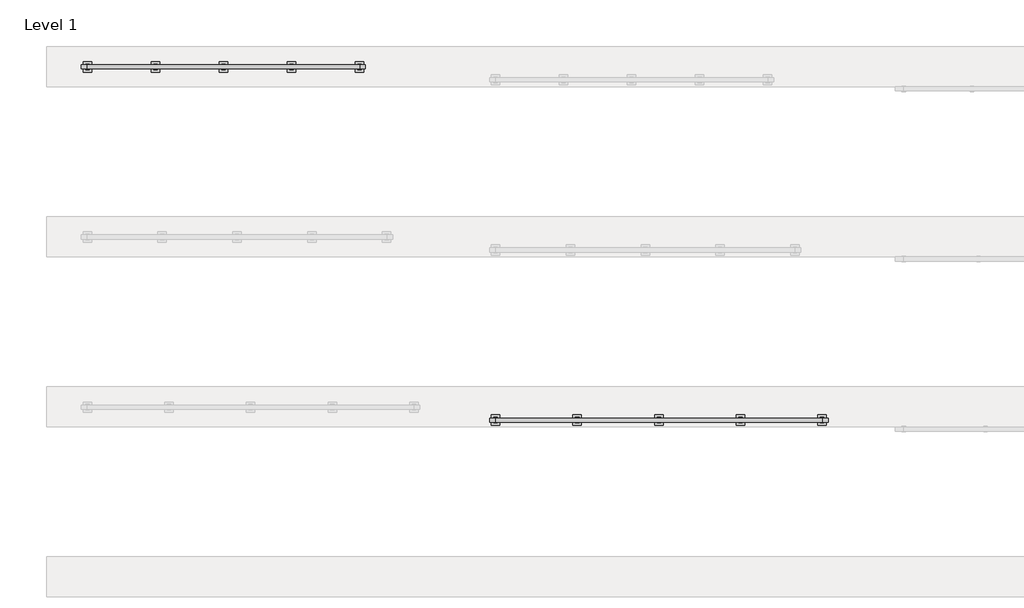
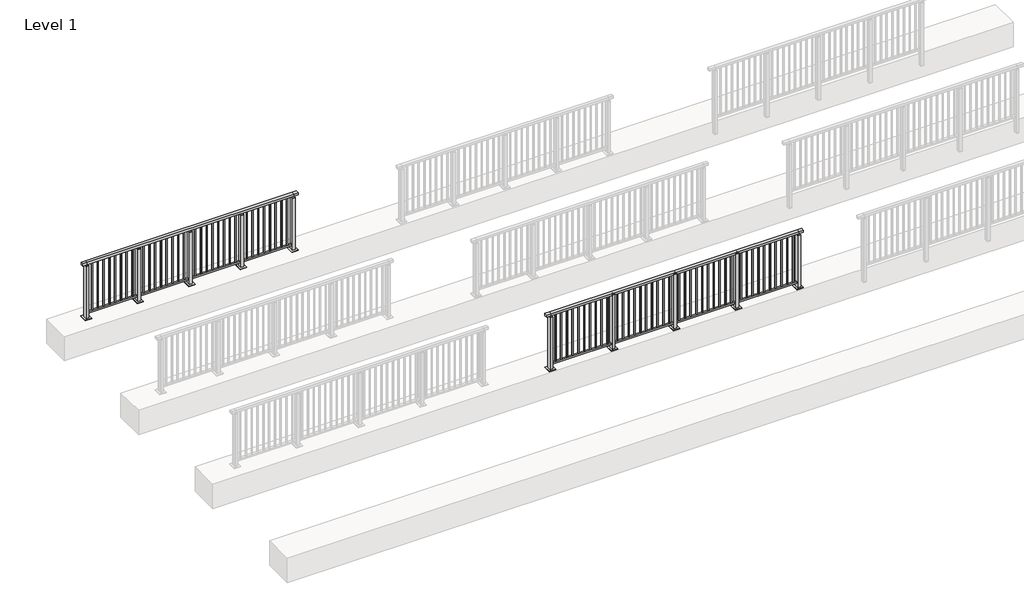
# One storey, part 12 of 38: 2 railings.
"""IFC4 building model written with IfcOpenShell, lengths in millimetres."""

import ifcopenshell
import ifcopenshell.guid

model = None  # the IFC model being written
_history = None  # IfcOwnerHistory: only IFC2X3 demands one
_inside = {}  # id of a spatial element -> (the spatial element, [elements in it])
_under = {}  # id of a project, library or spatial element -> (it, [spatial elements below it])
_declared = {}  # id of a project -> (the project, [libraries it declares])
_typed = {}  # id of a type object -> (the type object, [elements of that type])
_made_of = {}  # id of a material, layer set ... -> (it, [elements and type objects made of it])


def new_model(schema):
    """Start an empty IFC model of exactly this schema.

    Asked for "IFC4X3", IfcOpenShell would pick the latest addendum, in which some entities
    have other attributes; the version numbers below select the first issue.
    IFC2X3 requires an IfcOwnerHistory on every rooted entity: one is made here for all.
    """
    global model, _history
    if schema == "IFC4X3":
        model = ifcopenshell.file(schema_version=(4, 3, 0, 0))
    else:
        model = ifcopenshell.file(schema=schema)
    _inside.clear()
    _under.clear()
    _declared.clear()
    _typed.clear()
    _made_of.clear()
    _history = None
    if model.schema == "IFC2X3":
        org = make("IfcOrganization", Name="unknown")
        user = make(
            "IfcPersonAndOrganization",
            ThePerson=make("IfcPerson", FamilyName="unknown"),
            TheOrganization=org,
        )
        app = make(
            "IfcApplication",
            ApplicationDeveloper=org,
            Version="unknown",
            ApplicationFullName="unknown",
            ApplicationIdentifier="unknown",
        )
        _history = make(
            "IfcOwnerHistory",
            OwningUser=user,
            OwningApplication=app,
            ChangeAction="ADDED",
            CreationDate=0,
        )
    return model


def make(cls, **values):
    """One entity of the class cls with the attributes given. An attribute that is None is left unset."""
    return model.create_entity(
        cls, **{name: value for name, value in values.items() if value is not None}
    )


def rooted(cls, **values):
    """An entity with a GlobalId (a new one), such as an element, a storey or a relation."""
    return make(cls, GlobalId=ifcopenshell.guid.new(), OwnerHistory=_history, **values)


def si_unit(unit_type, name, prefix=None):
    """IfcSIUnit, for example si_unit("LENGTHUNIT", "METRE", prefix="MILLI")."""
    return make("IfcSIUnit", UnitType=unit_type, Prefix=prefix, Name=name)


def assignment(units):
    """IfcUnitAssignment: the units of a project."""
    return None if units is None else make("IfcUnitAssignment", Units=units)


def point(xyz):
    """IfcCartesianPoint."""
    return None if xyz is None else make("IfcCartesianPoint", Coordinates=xyz)


def direction(xyz):
    """IfcDirection."""
    return None if xyz is None else make("IfcDirection", DirectionRatios=xyz)


def frame(location, z_axis=None, x_axis=None):
    """IfcAxis2Placement3D, a coordinate frame: its origin and axes. An axis left out is left unset."""
    return make(
        "IfcAxis2Placement3D",
        Location=point(location),
        Axis=direction(z_axis),
        RefDirection=direction(x_axis),
    )


def origin():
    """The frame at (0, 0, 0) with its axes left unset."""
    return frame((0.0, 0.0, 0.0))


def origin_with_axes():
    """The frame at (0, 0, 0) with the z axis (0, 0, 1) and the x axis (1, 0, 0) written out."""
    return frame((0.0, 0.0, 0.0), z_axis=(0.0, 0.0, 1.0), x_axis=(1.0, 0.0, 0.0))


def place(relative_to, where):
    """IfcLocalPlacement: puts the frame where relative to a parent placement (None: the world)."""
    return make(
        "IfcLocalPlacement", PlacementRelTo=relative_to, RelativePlacement=where
    )


def context(
    kind, dimensions, precision=None, world=None, true_north=None, identifier=None
):
    """IfcGeometricRepresentationContext, for example the 3D "Model" context."""
    return make(
        "IfcGeometricRepresentationContext",
        ContextIdentifier=identifier,
        ContextType=kind,
        CoordinateSpaceDimension=dimensions,
        Precision=precision,
        WorldCoordinateSystem=world,
        TrueNorth=true_north,
    )


def project(units=None, contexts=None):
    """IfcProject with its units and contexts."""
    return rooted(
        "IfcProject",
        Name="project",
        RepresentationContexts=contexts,
        UnitsInContext=assignment(units),
    )


def spatial(cls, under=None, at=None, **own):
    """A site, building, storey or space (cls), placed at a placement, below another one or the project."""
    s = rooted(cls, ObjectPlacement=at, **own)
    if under is not None:
        _under.setdefault(under.id(), (under, []))[1].append(s)
    return s


def polyline(points):
    """IfcPolyline through the points."""
    return make("IfcPolyline", Points=[point(p) for p in points])


def outline(outer, holes=None, kind="AREA"):
    """IfcArbitraryClosedProfileDef: a profile drawn as a closed curve; with holes, ...WithVoids."""
    if holes is None:
        return make("IfcArbitraryClosedProfileDef", ProfileType=kind, OuterCurve=outer)
    return make(
        "IfcArbitraryProfileDefWithVoids",
        ProfileType=kind,
        OuterCurve=outer,
        InnerCurves=holes,
    )


def extrude(swept, where, along, depth):
    """IfcExtrudedAreaSolid: the profile swept, set in the frame where, extruded along a direction by depth."""
    return make(
        "IfcExtrudedAreaSolid",
        SweptArea=swept,
        Position=where,
        ExtrudedDirection=direction(along),
        Depth=depth,
    )


def faces_of(points, faces, orient=None, outer=None):
    """IfcFace entities. A face is a list of loops; a loop is a list of indices into points, from 0.

    orient and outer hold one flag for each loop. By default every Orientation is true, the
    first loop of a face is its IfcFaceOuterBound and the others are IfcFaceBound.
    """
    made = []
    for i, loops in enumerate(faces):
        bounds = []
        for j, loop in enumerate(loops):
            is_outer = j == 0 if outer is None else outer[i][j]
            bounds.append(
                make(
                    "IfcFaceOuterBound" if is_outer else "IfcFaceBound",
                    Bound=make("IfcPolyLoop", Polygon=[points[k] for k in loop]),
                    Orientation=True if orient is None else orient[i][j],
                )
            )
        made.append(make("IfcFace", Bounds=bounds))
    return made


def faceted_brep(points, faces, orient=None, outer=None, voids=None):
    """IfcFacetedBrep: a solid bounded by flat faces; with voids (closed shells), ...WithVoids."""
    shared = [point(p) for p in points]
    hull = make("IfcClosedShell", CfsFaces=faces_of(shared, faces, orient, outer))
    if voids is None:
        return make("IfcFacetedBrep", Outer=hull)
    return make(
        "IfcFacetedBrepWithVoids",
        Outer=hull,
        Voids=[
            make(cls, CfsFaces=faces_of(shared, fs, o, b)) for cls, fs, o, b in voids
        ],
    )


def shape(context_of_items, identifier, shape_type, items):
    """IfcShapeRepresentation: the items that make up one representation, for example the "Body"."""
    return make(
        "IfcShapeRepresentation",
        ContextOfItems=context_of_items,
        RepresentationIdentifier=identifier,
        RepresentationType=shape_type,
        Items=items,
    )


def made_of(thing, what):
    """Note that an element or type object is made of a material, layer set ...; save() writes the relation."""
    if what is not None:
        _made_of.setdefault(what.id(), (what, []))[1].append(thing)
    return thing


def element(
    cls,
    number,
    at=None,
    inside=None,
    cuts=None,
    type_object=None,
    material=None,
    context=None,
    identifier="Body",
    shape_type=None,
    held_by="IfcProductDefinitionShape",
    body=None,
    shapes=None,
    **own,
):
    """One element of the class cls, such as IfcWall. Its Tag is "e" and its number.

    at: its placement. inside: the storey or other place that contains it. cuts: it is an
    opening in that element (IfcRelVoidsElement). A single representation is given by context,
    identifier, shape_type and body (its items); several are given by shapes. held_by: the class
    of the entity that holds the representations. save() writes the other relations.
    """
    e = rooted(cls, Tag="e%d" % number, ObjectPlacement=at, **own)
    if body is not None:
        shapes = [shape(context, identifier, shape_type, body)]
    if shapes is not None:
        e.Representation = make(held_by, Representations=shapes)
    if inside is not None:
        _inside.setdefault(inside.id(), (inside, []))[1].append(e)
    if cuts is not None:
        rooted(
            "IfcRelVoidsElement", RelatingBuildingElement=cuts, RelatedOpeningElement=e
        )
    if type_object is not None:
        _typed.setdefault(type_object.id(), (type_object, []))[1].append(e)
    return made_of(e, material)


def aggregate(whole, parts):
    """IfcRelAggregates: a whole, such as a stair, and the parts it consists of."""
    return rooted("IfcRelAggregates", RelatingObject=whole, RelatedObjects=parts)


def save(model, path):
    """Write the relations noted so far, then the file.

    IfcRelAggregates (storeys below a building ...), IfcRelContainedInSpatialStructure (elements
    in a storey), IfcRelDefinesByType, IfcRelAssociatesMaterial and IfcRelDeclares: one each for
    every whole, place, type object, material and project.
    """
    for whole, parts in _under.values():
        aggregate(whole, parts)
    for where, things in _inside.values():
        rooted(
            "IfcRelContainedInSpatialStructure",
            RelatedElements=things,
            RelatingStructure=where,
        )
    for kind, things in _typed.values():
        rooted("IfcRelDefinesByType", RelatedObjects=things, RelatingType=kind)
    for what, things in _made_of.values():
        rooted("IfcRelAssociatesMaterial", RelatedObjects=things, RelatingMaterial=what)
    for by, libraries in _declared.values():
        rooted("IfcRelDeclares", RelatingContext=by, RelatedDefinitions=libraries)
    model.write(path)


model = new_model("IFC4")

# Units and contexts
model_context = context("Model", 3, world=origin())
ifc_project = project(units=[si_unit("LENGTHUNIT", "METRE", prefix="MILLI")], contexts=[model_context])

# Site, building, storey
site = spatial("IfcSite", under=ifc_project)
building = spatial("IfcBuilding", under=site)
storey = spatial("IfcBuildingStorey", under=building, Name="Level 1", Elevation=0.0)

# Railings
placement = place(None, origin())
element("IfcRailing", 1, at=placement, inside=storey, context=model_context, shape_type="SolidModel", body=[
    faceted_brep([(0.0, 22720.1846828, 1102.5), (0.0, 22720.1846828, 1150.0), (4000.0, 22720.1846828, 1150.0), (4000.0, 22720.1846828, 1102.5), (0.0, 22660.1846828, 1102.5), (4000.0, 22660.1846828, 1102.5), (0.0, 22660.1846828, 1150.0), (4000.0, 22660.1846828, 1150.0), (-87.5, 22720.1846828, 1150.0), (-87.5, 22720.1846828, 1102.5), (-87.5, 22660.1846828, 1102.5), (-87.5, 22660.1846828, 1150.0), (4087.5, 22720.1846828, 1150.0), (4087.5, 22660.1846828, 1150.0), (4087.5, 22660.1846828, 1102.5), (4087.5, 22720.1846828, 1102.5)], [[[0, 1, 2, 3]], [[4, 0, 3, 5]], [[6, 4, 5, 7]], [[1, 6, 7, 2]], [[8, 9, 10, 11]], [[9, 8, 1, 0]], [[10, 9, 0, 4]], [[11, 10, 4, 6]], [[8, 11, 6, 1]], [[12, 13, 14, 15]], [[3, 2, 12, 15]], [[5, 3, 15, 14]], [[7, 5, 14, 13]], [[2, 7, 13, 12]]]),
    extrude(outline(polyline([(0.0, 22672.1846828), (0.0, 22708.1846828), (4000.0, 22708.1846828), (4000.0, 22672.1846828), (0.0, 22672.1846828)])), frame((0.0, 0.0, 93.0), z_axis=(0.0, 0.0, 1.0), x_axis=(1.0, 0.0, 0.0)), (0.0, 0.0, 1.0), 32.0),
    extrude(outline(polyline([(3900.5, 22698.6846828), (3900.5, 22681.6846828), (3883.5, 22681.6846828), (3883.5, 22698.6846828), (3900.5, 22698.6846828)])), frame((0.0, 0.0, 125.0), z_axis=(0.0, 0.0, 1.0), x_axis=(1.0, 0.0, 0.0)), (0.0, 0.0, 1.0), 980.0),
    extrude(outline(polyline([(3788.5, 22698.6846828), (3788.5, 22681.6846828), (3771.5, 22681.6846828), (3771.5, 22698.6846828), (3788.5, 22698.6846828)])), frame((0.0, 0.0, 125.0), z_axis=(0.0, 0.0, 1.0), x_axis=(1.0, 0.0, 0.0)), (0.0, 0.0, 1.0), 980.0),
    extrude(outline(polyline([(3676.5, 22698.6846828), (3676.5, 22681.6846828), (3659.5, 22681.6846828), (3659.5, 22698.6846828), (3676.5, 22698.6846828)])), frame((0.0, 0.0, 125.0), z_axis=(0.0, 0.0, 1.0), x_axis=(1.0, 0.0, 0.0)), (0.0, 0.0, 1.0), 980.0),
    extrude(outline(polyline([(3564.5, 22698.6846828), (3564.5, 22681.6846828), (3547.5, 22681.6846828), (3547.5, 22698.6846828), (3564.5, 22698.6846828)])), frame((0.0, 0.0, 125.0), z_axis=(0.0, 0.0, 1.0), x_axis=(1.0, 0.0, 0.0)), (0.0, 0.0, 1.0), 980.0),
    extrude(outline(polyline([(3452.5, 22698.6846828), (3452.5, 22681.6846828), (3435.5, 22681.6846828), (3435.5, 22698.6846828), (3452.5, 22698.6846828)])), frame((0.0, 0.0, 125.0), z_axis=(0.0, 0.0, 1.0), x_axis=(1.0, 0.0, 0.0)), (0.0, 0.0, 1.0), 980.0),
    extrude(outline(polyline([(3340.5, 22698.6846828), (3340.5, 22681.6846828), (3323.5, 22681.6846828), (3323.5, 22698.6846828), (3340.5, 22698.6846828)])), frame((0.0, 0.0, 125.0), z_axis=(0.0, 0.0, 1.0), x_axis=(1.0, 0.0, 0.0)), (0.0, 0.0, 1.0), 980.0),
    extrude(outline(polyline([(3228.5, 22698.6846828), (3228.5, 22681.6846828), (3211.5, 22681.6846828), (3211.5, 22698.6846828), (3228.5, 22698.6846828)])), frame((0.0, 0.0, 125.0), z_axis=(0.0, 0.0, 1.0), x_axis=(1.0, 0.0, 0.0)), (0.0, 0.0, 1.0), 980.0),
    extrude(outline(polyline([(3116.5, 22698.6846828), (3116.5, 22681.6846828), (3099.5, 22681.6846828), (3099.5, 22698.6846828), (3116.5, 22698.6846828)])), frame((0.0, 0.0, 125.0), z_axis=(0.0, 0.0, 1.0), x_axis=(1.0, 0.0, 0.0)), (0.0, 0.0, 1.0), 980.0),
    extrude(outline(polyline([(3010.0, 22680.1846828), (2990.0, 22680.1846828), (2990.0, 22700.1846828), (3010.0, 22700.1846828), (3010.0, 22680.1846828)])), frame((0.0, 0.0, 1085.0), z_axis=(0.0, 0.0, 1.0), x_axis=(1.0, 0.0, 0.0)), (0.0, 0.0, 1.0), 20.0),
    extrude(outline(polyline([(3027.0, 22651.1846828), (2973.0, 22651.1846828), (2973.0, 22729.1846828), (3027.0, 22729.1846828), (3027.0, 22651.1846828)])), frame((0.0, 0.0, 1077.0), z_axis=(0.0, 0.0, 1.0), x_axis=(1.0, 0.0, 0.0)), (0.0, 0.0, 1.0), 8.0),
    extrude(outline(polyline([(3062.5, 22615.1846828), (2937.5, 22615.1846828), (2937.5, 22765.1846828), (3062.5, 22765.1846828), (3062.5, 22615.1846828)])), origin_with_axes(), (0.0, 0.0, 1.0), 12.0),
    extrude(outline(polyline([(3027.0, 22651.1846828), (2973.0, 22651.1846828), (2973.0, 22729.1846828), (3027.0, 22729.1846828), (3027.0, 22651.1846828)])), frame((0.0, 0.0, 12.0), z_axis=(0.0, 0.0, 1.0), x_axis=(1.0, 0.0, 0.0)), (0.0, 0.0, 1.0), 1065.0),
    extrude(outline(polyline([(2900.5, 22698.6846828), (2900.5, 22681.6846828), (2883.5, 22681.6846828), (2883.5, 22698.6846828), (2900.5, 22698.6846828)])), frame((0.0, 0.0, 125.0), z_axis=(0.0, 0.0, 1.0), x_axis=(1.0, 0.0, 0.0)), (0.0, 0.0, 1.0), 980.0),
    extrude(outline(polyline([(2788.5, 22698.6846828), (2788.5, 22681.6846828), (2771.5, 22681.6846828), (2771.5, 22698.6846828), (2788.5, 22698.6846828)])), frame((0.0, 0.0, 125.0), z_axis=(0.0, 0.0, 1.0), x_axis=(1.0, 0.0, 0.0)), (0.0, 0.0, 1.0), 980.0),
    extrude(outline(polyline([(2676.5, 22698.6846828), (2676.5, 22681.6846828), (2659.5, 22681.6846828), (2659.5, 22698.6846828), (2676.5, 22698.6846828)])), frame((0.0, 0.0, 125.0), z_axis=(0.0, 0.0, 1.0), x_axis=(1.0, 0.0, 0.0)), (0.0, 0.0, 1.0), 980.0),
    extrude(outline(polyline([(2564.5, 22698.6846828), (2564.5, 22681.6846828), (2547.5, 22681.6846828), (2547.5, 22698.6846828), (2564.5, 22698.6846828)])), frame((0.0, 0.0, 125.0), z_axis=(0.0, 0.0, 1.0), x_axis=(1.0, 0.0, 0.0)), (0.0, 0.0, 1.0), 980.0),
    extrude(outline(polyline([(2452.5, 22698.6846828), (2452.5, 22681.6846828), (2435.5, 22681.6846828), (2435.5, 22698.6846828), (2452.5, 22698.6846828)])), frame((0.0, 0.0, 125.0), z_axis=(0.0, 0.0, 1.0), x_axis=(1.0, 0.0, 0.0)), (0.0, 0.0, 1.0), 980.0),
    extrude(outline(polyline([(2340.5, 22698.6846828), (2340.5, 22681.6846828), (2323.5, 22681.6846828), (2323.5, 22698.6846828), (2340.5, 22698.6846828)])), frame((0.0, 0.0, 125.0), z_axis=(0.0, 0.0, 1.0), x_axis=(1.0, 0.0, 0.0)), (0.0, 0.0, 1.0), 980.0),
    extrude(outline(polyline([(2228.5, 22698.6846828), (2228.5, 22681.6846828), (2211.5, 22681.6846828), (2211.5, 22698.6846828), (2228.5, 22698.6846828)])), frame((0.0, 0.0, 125.0), z_axis=(0.0, 0.0, 1.0), x_axis=(1.0, 0.0, 0.0)), (0.0, 0.0, 1.0), 980.0),
    extrude(outline(polyline([(2116.5, 22698.6846828), (2116.5, 22681.6846828), (2099.5, 22681.6846828), (2099.5, 22698.6846828), (2116.5, 22698.6846828)])), frame((0.0, 0.0, 125.0), z_axis=(0.0, 0.0, 1.0), x_axis=(1.0, 0.0, 0.0)), (0.0, 0.0, 1.0), 980.0),
    extrude(outline(polyline([(2010.0, 22680.1846828), (1990.0, 22680.1846828), (1990.0, 22700.1846828), (2010.0, 22700.1846828), (2010.0, 22680.1846828)])), frame((0.0, 0.0, 1085.0), z_axis=(0.0, 0.0, 1.0), x_axis=(1.0, 0.0, 0.0)), (0.0, 0.0, 1.0), 20.0),
    extrude(outline(polyline([(2027.0, 22651.1846828), (1973.0, 22651.1846828), (1973.0, 22729.1846828), (2027.0, 22729.1846828), (2027.0, 22651.1846828)])), frame((0.0, 0.0, 1077.0), z_axis=(0.0, 0.0, 1.0), x_axis=(1.0, 0.0, 0.0)), (0.0, 0.0, 1.0), 8.0),
    extrude(outline(polyline([(2062.5, 22615.1846828), (1937.5, 22615.1846828), (1937.5, 22765.1846828), (2062.5, 22765.1846828), (2062.5, 22615.1846828)])), origin_with_axes(), (0.0, 0.0, 1.0), 12.0),
    extrude(outline(polyline([(2027.0, 22651.1846828), (1973.0, 22651.1846828), (1973.0, 22729.1846828), (2027.0, 22729.1846828), (2027.0, 22651.1846828)])), frame((0.0, 0.0, 12.0), z_axis=(0.0, 0.0, 1.0), x_axis=(1.0, 0.0, 0.0)), (0.0, 0.0, 1.0), 1065.0),
    extrude(outline(polyline([(1900.5, 22698.6846828), (1900.5, 22681.6846828), (1883.5, 22681.6846828), (1883.5, 22698.6846828), (1900.5, 22698.6846828)])), frame((0.0, 0.0, 125.0), z_axis=(0.0, 0.0, 1.0), x_axis=(1.0, 0.0, 0.0)), (0.0, 0.0, 1.0), 980.0),
    extrude(outline(polyline([(1788.5, 22698.6846828), (1788.5, 22681.6846828), (1771.5, 22681.6846828), (1771.5, 22698.6846828), (1788.5, 22698.6846828)])), frame((0.0, 0.0, 125.0), z_axis=(0.0, 0.0, 1.0), x_axis=(1.0, 0.0, 0.0)), (0.0, 0.0, 1.0), 980.0),
    extrude(outline(polyline([(1676.5, 22698.6846828), (1676.5, 22681.6846828), (1659.5, 22681.6846828), (1659.5, 22698.6846828), (1676.5, 22698.6846828)])), frame((0.0, 0.0, 125.0), z_axis=(0.0, 0.0, 1.0), x_axis=(1.0, 0.0, 0.0)), (0.0, 0.0, 1.0), 980.0),
    extrude(outline(polyline([(1564.5, 22698.6846828), (1564.5, 22681.6846828), (1547.5, 22681.6846828), (1547.5, 22698.6846828), (1564.5, 22698.6846828)])), frame((0.0, 0.0, 125.0), z_axis=(0.0, 0.0, 1.0), x_axis=(1.0, 0.0, 0.0)), (0.0, 0.0, 1.0), 980.0),
    extrude(outline(polyline([(1452.5, 22698.6846828), (1452.5, 22681.6846828), (1435.5, 22681.6846828), (1435.5, 22698.6846828), (1452.5, 22698.6846828)])), frame((0.0, 0.0, 125.0), z_axis=(0.0, 0.0, 1.0), x_axis=(1.0, 0.0, 0.0)), (0.0, 0.0, 1.0), 980.0),
    extrude(outline(polyline([(1340.5, 22698.6846828), (1340.5, 22681.6846828), (1323.5, 22681.6846828), (1323.5, 22698.6846828), (1340.5, 22698.6846828)])), frame((0.0, 0.0, 125.0), z_axis=(0.0, 0.0, 1.0), x_axis=(1.0, 0.0, 0.0)), (0.0, 0.0, 1.0), 980.0),
    extrude(outline(polyline([(1228.5, 22698.6846828), (1228.5, 22681.6846828), (1211.5, 22681.6846828), (1211.5, 22698.6846828), (1228.5, 22698.6846828)])), frame((0.0, 0.0, 125.0), z_axis=(0.0, 0.0, 1.0), x_axis=(1.0, 0.0, 0.0)), (0.0, 0.0, 1.0), 980.0),
    extrude(outline(polyline([(1116.5, 22698.6846828), (1116.5, 22681.6846828), (1099.5, 22681.6846828), (1099.5, 22698.6846828), (1116.5, 22698.6846828)])), frame((0.0, 0.0, 125.0), z_axis=(0.0, 0.0, 1.0), x_axis=(1.0, 0.0, 0.0)), (0.0, 0.0, 1.0), 980.0),
    extrude(outline(polyline([(1010.0, 22680.1846828), (990.0, 22680.1846828), (990.0, 22700.1846828), (1010.0, 22700.1846828), (1010.0, 22680.1846828)])), frame((0.0, 0.0, 1085.0), z_axis=(0.0, 0.0, 1.0), x_axis=(1.0, 0.0, 0.0)), (0.0, 0.0, 1.0), 20.0),
    extrude(outline(polyline([(1027.0, 22651.1846828), (973.0, 22651.1846828), (973.0, 22729.1846828), (1027.0, 22729.1846828), (1027.0, 22651.1846828)])), frame((0.0, 0.0, 1077.0), z_axis=(0.0, 0.0, 1.0), x_axis=(1.0, 0.0, 0.0)), (0.0, 0.0, 1.0), 8.0),
    extrude(outline(polyline([(1062.5, 22615.1846828), (937.5, 22615.1846828), (937.5, 22765.1846828), (1062.5, 22765.1846828), (1062.5, 22615.1846828)])), origin_with_axes(), (0.0, 0.0, 1.0), 12.0),
    extrude(outline(polyline([(1027.0, 22651.1846828), (973.0, 22651.1846828), (973.0, 22729.1846828), (1027.0, 22729.1846828), (1027.0, 22651.1846828)])), frame((0.0, 0.0, 12.0), z_axis=(0.0, 0.0, 1.0), x_axis=(1.0, 0.0, 0.0)), (0.0, 0.0, 1.0), 1065.0),
    extrude(outline(polyline([(900.5, 22698.6846828), (900.5, 22681.6846828), (883.5, 22681.6846828), (883.5, 22698.6846828), (900.5, 22698.6846828)])), frame((0.0, 0.0, 125.0), z_axis=(0.0, 0.0, 1.0), x_axis=(1.0, 0.0, 0.0)), (0.0, 0.0, 1.0), 980.0),
    extrude(outline(polyline([(788.5, 22698.6846828), (788.5, 22681.6846828), (771.5, 22681.6846828), (771.5, 22698.6846828), (788.5, 22698.6846828)])), frame((0.0, 0.0, 125.0), z_axis=(0.0, 0.0, 1.0), x_axis=(1.0, 0.0, 0.0)), (0.0, 0.0, 1.0), 980.0),
    extrude(outline(polyline([(676.5, 22698.6846828), (676.5, 22681.6846828), (659.5, 22681.6846828), (659.5, 22698.6846828), (676.5, 22698.6846828)])), frame((0.0, 0.0, 125.0), z_axis=(0.0, 0.0, 1.0), x_axis=(1.0, 0.0, 0.0)), (0.0, 0.0, 1.0), 980.0),
    extrude(outline(polyline([(564.5, 22698.6846828), (564.5, 22681.6846828), (547.5, 22681.6846828), (547.5, 22698.6846828), (564.5, 22698.6846828)])), frame((0.0, 0.0, 125.0), z_axis=(0.0, 0.0, 1.0), x_axis=(1.0, 0.0, 0.0)), (0.0, 0.0, 1.0), 980.0),
    extrude(outline(polyline([(452.5, 22698.6846828), (452.5, 22681.6846828), (435.5, 22681.6846828), (435.5, 22698.6846828), (452.5, 22698.6846828)])), frame((0.0, 0.0, 125.0), z_axis=(0.0, 0.0, 1.0), x_axis=(1.0, 0.0, 0.0)), (0.0, 0.0, 1.0), 980.0),
    extrude(outline(polyline([(340.5, 22698.6846828), (340.5, 22681.6846828), (323.5, 22681.6846828), (323.5, 22698.6846828), (340.5, 22698.6846828)])), frame((0.0, 0.0, 125.0), z_axis=(0.0, 0.0, 1.0), x_axis=(1.0, 0.0, 0.0)), (0.0, 0.0, 1.0), 980.0),
    extrude(outline(polyline([(228.5, 22698.6846828), (228.5, 22681.6846828), (211.5, 22681.6846828), (211.5, 22698.6846828), (228.5, 22698.6846828)])), frame((0.0, 0.0, 125.0), z_axis=(0.0, 0.0, 1.0), x_axis=(1.0, 0.0, 0.0)), (0.0, 0.0, 1.0), 980.0),
    extrude(outline(polyline([(116.5, 22698.6846828), (116.5, 22681.6846828), (99.5, 22681.6846828), (99.5, 22698.6846828), (116.5, 22698.6846828)])), frame((0.0, 0.0, 125.0), z_axis=(0.0, 0.0, 1.0), x_axis=(1.0, 0.0, 0.0)), (0.0, 0.0, 1.0), 980.0),
    extrude(outline(polyline([(4010.0, 22680.1846828), (3990.0, 22680.1846828), (3990.0, 22700.1846828), (4010.0, 22700.1846828), (4010.0, 22680.1846828)])), frame((0.0, 0.0, 1085.0), z_axis=(0.0, 0.0, 1.0), x_axis=(1.0, 0.0, 0.0)), (0.0, 0.0, 1.0), 20.0),
    extrude(outline(polyline([(4027.0, 22651.1846828), (3973.0, 22651.1846828), (3973.0, 22729.1846828), (4027.0, 22729.1846828), (4027.0, 22651.1846828)])), frame((0.0, 0.0, 1077.0), z_axis=(0.0, 0.0, 1.0), x_axis=(1.0, 0.0, 0.0)), (0.0, 0.0, 1.0), 8.0),
    extrude(outline(polyline([(4062.5, 22615.1846828), (3937.5, 22615.1846828), (3937.5, 22765.1846828), (4062.5, 22765.1846828), (4062.5, 22615.1846828)])), origin_with_axes(), (0.0, 0.0, 1.0), 12.0),
    extrude(outline(polyline([(4027.0, 22651.1846828), (3973.0, 22651.1846828), (3973.0, 22729.1846828), (4027.0, 22729.1846828), (4027.0, 22651.1846828)])), frame((0.0, 0.0, 12.0), z_axis=(0.0, 0.0, 1.0), x_axis=(1.0, 0.0, 0.0)), (0.0, 0.0, 1.0), 1065.0),
    extrude(outline(polyline([(10.0, 22680.1846828), (-10.0, 22680.1846828), (-10.0, 22700.1846828), (10.0, 22700.1846828), (10.0, 22680.1846828)])), frame((0.0, 0.0, 1085.0), z_axis=(0.0, 0.0, 1.0), x_axis=(1.0, 0.0, 0.0)), (0.0, 0.0, 1.0), 20.0),
    extrude(outline(polyline([(27.0, 22651.1846828), (-27.0, 22651.1846828), (-27.0, 22729.1846828), (27.0, 22729.1846828), (27.0, 22651.1846828)])), frame((0.0, 0.0, 1077.0), z_axis=(0.0, 0.0, 1.0), x_axis=(1.0, 0.0, 0.0)), (0.0, 0.0, 1.0), 8.0),
    extrude(outline(polyline([(62.5, 22615.1846828), (-62.5, 22615.1846828), (-62.5, 22765.1846828), (62.5, 22765.1846828), (62.5, 22615.1846828)])), origin_with_axes(), (0.0, 0.0, 1.0), 12.0),
    extrude(outline(polyline([(27.0, 22651.1846828), (-27.0, 22651.1846828), (-27.0, 22729.1846828), (27.0, 22729.1846828), (27.0, 22651.1846828)])), frame((0.0, 0.0, 12.0), z_axis=(0.0, 0.0, 1.0), x_axis=(1.0, 0.0, 0.0)), (0.0, 0.0, 1.0), 1065.0),
])
element("IfcRailing", 2, at=placement, inside=storey, context=model_context, shape_type="SolidModel", body=[
    faceted_brep([(6000.0, 17530.1846828, 1102.5), (6000.0, 17530.1846828, 1150.0), (10800.0, 17530.1846828, 1150.0), (10800.0, 17530.1846828, 1102.5), (6000.0, 17470.1846828, 1102.5), (10800.0, 17470.1846828, 1102.5), (6000.0, 17470.1846828, 1150.0), (10800.0, 17470.1846828, 1150.0), (5912.5, 17530.1846828, 1150.0), (5912.5, 17530.1846828, 1102.5), (5912.5, 17470.1846828, 1102.5), (5912.5, 17470.1846828, 1150.0), (10887.5, 17530.1846828, 1150.0), (10887.5, 17470.1846828, 1150.0), (10887.5, 17470.1846828, 1102.5), (10887.5, 17530.1846828, 1102.5)], [[[0, 1, 2, 3]], [[4, 0, 3, 5]], [[6, 4, 5, 7]], [[1, 6, 7, 2]], [[8, 9, 10, 11]], [[9, 8, 1, 0]], [[10, 9, 0, 4]], [[11, 10, 4, 6]], [[8, 11, 6, 1]], [[12, 13, 14, 15]], [[3, 2, 12, 15]], [[5, 3, 15, 14]], [[7, 5, 14, 13]], [[2, 7, 13, 12]]]),
    extrude(outline(polyline([(6000.0, 17482.1846828), (6000.0, 17518.1846828), (10800.0, 17518.1846828), (10800.0, 17482.1846828), (6000.0, 17482.1846828)])), frame((0.0, 0.0, 93.0), z_axis=(0.0, 0.0, 1.0), x_axis=(1.0, 0.0, 0.0)), (0.0, 0.0, 1.0), 32.0),
    extrude(outline(polyline([(10712.5, 17508.6846828), (10712.5, 17491.6846828), (10695.5, 17491.6846828), (10695.5, 17508.6846828), (10712.5, 17508.6846828)])), frame((0.0, 0.0, 125.0), z_axis=(0.0, 0.0, 1.0), x_axis=(1.0, 0.0, 0.0)), (0.0, 0.0, 1.0), 980.0),
    extrude(outline(polyline([(10600.5, 17508.6846828), (10600.5, 17491.6846828), (10583.5, 17491.6846828), (10583.5, 17508.6846828), (10600.5, 17508.6846828)])), frame((0.0, 0.0, 125.0), z_axis=(0.0, 0.0, 1.0), x_axis=(1.0, 0.0, 0.0)), (0.0, 0.0, 1.0), 980.0),
    extrude(outline(polyline([(10488.5, 17508.6846828), (10488.5, 17491.6846828), (10471.5, 17491.6846828), (10471.5, 17508.6846828), (10488.5, 17508.6846828)])), frame((0.0, 0.0, 125.0), z_axis=(0.0, 0.0, 1.0), x_axis=(1.0, 0.0, 0.0)), (0.0, 0.0, 1.0), 980.0),
    extrude(outline(polyline([(10376.5, 17508.6846828), (10376.5, 17491.6846828), (10359.5, 17491.6846828), (10359.5, 17508.6846828), (10376.5, 17508.6846828)])), frame((0.0, 0.0, 125.0), z_axis=(0.0, 0.0, 1.0), x_axis=(1.0, 0.0, 0.0)), (0.0, 0.0, 1.0), 980.0),
    extrude(outline(polyline([(10264.5, 17508.6846828), (10264.5, 17491.6846828), (10247.5, 17491.6846828), (10247.5, 17508.6846828), (10264.5, 17508.6846828)])), frame((0.0, 0.0, 125.0), z_axis=(0.0, 0.0, 1.0), x_axis=(1.0, 0.0, 0.0)), (0.0, 0.0, 1.0), 980.0),
    extrude(outline(polyline([(10152.5, 17508.6846828), (10152.5, 17491.6846828), (10135.5, 17491.6846828), (10135.5, 17508.6846828), (10152.5, 17508.6846828)])), frame((0.0, 0.0, 125.0), z_axis=(0.0, 0.0, 1.0), x_axis=(1.0, 0.0, 0.0)), (0.0, 0.0, 1.0), 980.0),
    extrude(outline(polyline([(10040.5, 17508.6846828), (10040.5, 17491.6846828), (10023.5, 17491.6846828), (10023.5, 17508.6846828), (10040.5, 17508.6846828)])), frame((0.0, 0.0, 125.0), z_axis=(0.0, 0.0, 1.0), x_axis=(1.0, 0.0, 0.0)), (0.0, 0.0, 1.0), 980.0),
    extrude(outline(polyline([(9928.5, 17508.6846828), (9928.5, 17491.6846828), (9911.5, 17491.6846828), (9911.5, 17508.6846828), (9928.5, 17508.6846828)])), frame((0.0, 0.0, 125.0), z_axis=(0.0, 0.0, 1.0), x_axis=(1.0, 0.0, 0.0)), (0.0, 0.0, 1.0), 980.0),
    extrude(outline(polyline([(9816.5, 17508.6846828), (9816.5, 17491.6846828), (9799.5, 17491.6846828), (9799.5, 17508.6846828), (9816.5, 17508.6846828)])), frame((0.0, 0.0, 125.0), z_axis=(0.0, 0.0, 1.0), x_axis=(1.0, 0.0, 0.0)), (0.0, 0.0, 1.0), 980.0),
    extrude(outline(polyline([(9704.5, 17508.6846828), (9704.5, 17491.6846828), (9687.5, 17491.6846828), (9687.5, 17508.6846828), (9704.5, 17508.6846828)])), frame((0.0, 0.0, 125.0), z_axis=(0.0, 0.0, 1.0), x_axis=(1.0, 0.0, 0.0)), (0.0, 0.0, 1.0), 980.0),
    extrude(outline(polyline([(9610.0, 17490.1846828), (9590.0, 17490.1846828), (9590.0, 17510.1846828), (9610.0, 17510.1846828), (9610.0, 17490.1846828)])), frame((0.0, 0.0, 1130.0), z_axis=(0.0, 0.0, 1.0), x_axis=(1.0, 0.0, 0.0)), (0.0, 0.0, 1.0), 20.0),
    extrude(outline(polyline([(9627.0, 17461.1846828), (9573.0, 17461.1846828), (9573.0, 17539.1846828), (9627.0, 17539.1846828), (9627.0, 17461.1846828)])), frame((0.0, 0.0, 1122.0), z_axis=(0.0, 0.0, 1.0), x_axis=(1.0, 0.0, 0.0)), (0.0, 0.0, 1.0), 8.0),
    extrude(outline(polyline([(9662.5, 17425.1846828), (9537.5, 17425.1846828), (9537.5, 17575.1846828), (9662.5, 17575.1846828), (9662.5, 17425.1846828)])), origin_with_axes(), (0.0, 0.0, 1.0), 12.0),
    extrude(outline(polyline([(9627.0, 17461.1846828), (9573.0, 17461.1846828), (9573.0, 17539.1846828), (9627.0, 17539.1846828), (9627.0, 17461.1846828)])), frame((0.0, 0.0, 12.0), z_axis=(0.0, 0.0, 1.0), x_axis=(1.0, 0.0, 0.0)), (0.0, 0.0, 1.0), 1110.0),
    extrude(outline(polyline([(9512.5, 17508.6846828), (9512.5, 17491.6846828), (9495.5, 17491.6846828), (9495.5, 17508.6846828), (9512.5, 17508.6846828)])), frame((0.0, 0.0, 125.0), z_axis=(0.0, 0.0, 1.0), x_axis=(1.0, 0.0, 0.0)), (0.0, 0.0, 1.0), 980.0),
    extrude(outline(polyline([(9400.5, 17508.6846828), (9400.5, 17491.6846828), (9383.5, 17491.6846828), (9383.5, 17508.6846828), (9400.5, 17508.6846828)])), frame((0.0, 0.0, 125.0), z_axis=(0.0, 0.0, 1.0), x_axis=(1.0, 0.0, 0.0)), (0.0, 0.0, 1.0), 980.0),
    extrude(outline(polyline([(9288.5, 17508.6846828), (9288.5, 17491.6846828), (9271.5, 17491.6846828), (9271.5, 17508.6846828), (9288.5, 17508.6846828)])), frame((0.0, 0.0, 125.0), z_axis=(0.0, 0.0, 1.0), x_axis=(1.0, 0.0, 0.0)), (0.0, 0.0, 1.0), 980.0),
    extrude(outline(polyline([(9176.5, 17508.6846828), (9176.5, 17491.6846828), (9159.5, 17491.6846828), (9159.5, 17508.6846828), (9176.5, 17508.6846828)])), frame((0.0, 0.0, 125.0), z_axis=(0.0, 0.0, 1.0), x_axis=(1.0, 0.0, 0.0)), (0.0, 0.0, 1.0), 980.0),
    extrude(outline(polyline([(9064.5, 17508.6846828), (9064.5, 17491.6846828), (9047.5, 17491.6846828), (9047.5, 17508.6846828), (9064.5, 17508.6846828)])), frame((0.0, 0.0, 125.0), z_axis=(0.0, 0.0, 1.0), x_axis=(1.0, 0.0, 0.0)), (0.0, 0.0, 1.0), 980.0),
    extrude(outline(polyline([(8952.5, 17508.6846828), (8952.5, 17491.6846828), (8935.5, 17491.6846828), (8935.5, 17508.6846828), (8952.5, 17508.6846828)])), frame((0.0, 0.0, 125.0), z_axis=(0.0, 0.0, 1.0), x_axis=(1.0, 0.0, 0.0)), (0.0, 0.0, 1.0), 980.0),
    extrude(outline(polyline([(8840.5, 17508.6846828), (8840.5, 17491.6846828), (8823.5, 17491.6846828), (8823.5, 17508.6846828), (8840.5, 17508.6846828)])), frame((0.0, 0.0, 125.0), z_axis=(0.0, 0.0, 1.0), x_axis=(1.0, 0.0, 0.0)), (0.0, 0.0, 1.0), 980.0),
    extrude(outline(polyline([(8728.5, 17508.6846828), (8728.5, 17491.6846828), (8711.5, 17491.6846828), (8711.5, 17508.6846828), (8728.5, 17508.6846828)])), frame((0.0, 0.0, 125.0), z_axis=(0.0, 0.0, 1.0), x_axis=(1.0, 0.0, 0.0)), (0.0, 0.0, 1.0), 980.0),
    extrude(outline(polyline([(8616.5, 17508.6846828), (8616.5, 17491.6846828), (8599.5, 17491.6846828), (8599.5, 17508.6846828), (8616.5, 17508.6846828)])), frame((0.0, 0.0, 125.0), z_axis=(0.0, 0.0, 1.0), x_axis=(1.0, 0.0, 0.0)), (0.0, 0.0, 1.0), 980.0),
    extrude(outline(polyline([(8504.5, 17508.6846828), (8504.5, 17491.6846828), (8487.5, 17491.6846828), (8487.5, 17508.6846828), (8504.5, 17508.6846828)])), frame((0.0, 0.0, 125.0), z_axis=(0.0, 0.0, 1.0), x_axis=(1.0, 0.0, 0.0)), (0.0, 0.0, 1.0), 980.0),
    extrude(outline(polyline([(8410.0, 17490.1846828), (8390.0, 17490.1846828), (8390.0, 17510.1846828), (8410.0, 17510.1846828), (8410.0, 17490.1846828)])), frame((0.0, 0.0, 1130.0), z_axis=(0.0, 0.0, 1.0), x_axis=(1.0, 0.0, 0.0)), (0.0, 0.0, 1.0), 20.0),
    extrude(outline(polyline([(8427.0, 17461.1846828), (8373.0, 17461.1846828), (8373.0, 17539.1846828), (8427.0, 17539.1846828), (8427.0, 17461.1846828)])), frame((0.0, 0.0, 1122.0), z_axis=(0.0, 0.0, 1.0), x_axis=(1.0, 0.0, 0.0)), (0.0, 0.0, 1.0), 8.0),
    extrude(outline(polyline([(8462.5, 17425.1846828), (8337.5, 17425.1846828), (8337.5, 17575.1846828), (8462.5, 17575.1846828), (8462.5, 17425.1846828)])), origin_with_axes(), (0.0, 0.0, 1.0), 12.0),
    extrude(outline(polyline([(8427.0, 17461.1846828), (8373.0, 17461.1846828), (8373.0, 17539.1846828), (8427.0, 17539.1846828), (8427.0, 17461.1846828)])), frame((0.0, 0.0, 12.0), z_axis=(0.0, 0.0, 1.0), x_axis=(1.0, 0.0, 0.0)), (0.0, 0.0, 1.0), 1110.0),
    extrude(outline(polyline([(8312.5, 17508.6846828), (8312.5, 17491.6846828), (8295.5, 17491.6846828), (8295.5, 17508.6846828), (8312.5, 17508.6846828)])), frame((0.0, 0.0, 125.0), z_axis=(0.0, 0.0, 1.0), x_axis=(1.0, 0.0, 0.0)), (0.0, 0.0, 1.0), 980.0),
    extrude(outline(polyline([(8200.5, 17508.6846828), (8200.5, 17491.6846828), (8183.5, 17491.6846828), (8183.5, 17508.6846828), (8200.5, 17508.6846828)])), frame((0.0, 0.0, 125.0), z_axis=(0.0, 0.0, 1.0), x_axis=(1.0, 0.0, 0.0)), (0.0, 0.0, 1.0), 980.0),
    extrude(outline(polyline([(8088.5, 17508.6846828), (8088.5, 17491.6846828), (8071.5, 17491.6846828), (8071.5, 17508.6846828), (8088.5, 17508.6846828)])), frame((0.0, 0.0, 125.0), z_axis=(0.0, 0.0, 1.0), x_axis=(1.0, 0.0, 0.0)), (0.0, 0.0, 1.0), 980.0),
    extrude(outline(polyline([(7976.5, 17508.6846828), (7976.5, 17491.6846828), (7959.5, 17491.6846828), (7959.5, 17508.6846828), (7976.5, 17508.6846828)])), frame((0.0, 0.0, 125.0), z_axis=(0.0, 0.0, 1.0), x_axis=(1.0, 0.0, 0.0)), (0.0, 0.0, 1.0), 980.0),
    extrude(outline(polyline([(7864.5, 17508.6846828), (7864.5, 17491.6846828), (7847.5, 17491.6846828), (7847.5, 17508.6846828), (7864.5, 17508.6846828)])), frame((0.0, 0.0, 125.0), z_axis=(0.0, 0.0, 1.0), x_axis=(1.0, 0.0, 0.0)), (0.0, 0.0, 1.0), 980.0),
    extrude(outline(polyline([(7752.5, 17508.6846828), (7752.5, 17491.6846828), (7735.5, 17491.6846828), (7735.5, 17508.6846828), (7752.5, 17508.6846828)])), frame((0.0, 0.0, 125.0), z_axis=(0.0, 0.0, 1.0), x_axis=(1.0, 0.0, 0.0)), (0.0, 0.0, 1.0), 980.0),
    extrude(outline(polyline([(7640.5, 17508.6846828), (7640.5, 17491.6846828), (7623.5, 17491.6846828), (7623.5, 17508.6846828), (7640.5, 17508.6846828)])), frame((0.0, 0.0, 125.0), z_axis=(0.0, 0.0, 1.0), x_axis=(1.0, 0.0, 0.0)), (0.0, 0.0, 1.0), 980.0),
    extrude(outline(polyline([(7528.5, 17508.6846828), (7528.5, 17491.6846828), (7511.5, 17491.6846828), (7511.5, 17508.6846828), (7528.5, 17508.6846828)])), frame((0.0, 0.0, 125.0), z_axis=(0.0, 0.0, 1.0), x_axis=(1.0, 0.0, 0.0)), (0.0, 0.0, 1.0), 980.0),
    extrude(outline(polyline([(7416.5, 17508.6846828), (7416.5, 17491.6846828), (7399.5, 17491.6846828), (7399.5, 17508.6846828), (7416.5, 17508.6846828)])), frame((0.0, 0.0, 125.0), z_axis=(0.0, 0.0, 1.0), x_axis=(1.0, 0.0, 0.0)), (0.0, 0.0, 1.0), 980.0),
    extrude(outline(polyline([(7304.5, 17508.6846828), (7304.5, 17491.6846828), (7287.5, 17491.6846828), (7287.5, 17508.6846828), (7304.5, 17508.6846828)])), frame((0.0, 0.0, 125.0), z_axis=(0.0, 0.0, 1.0), x_axis=(1.0, 0.0, 0.0)), (0.0, 0.0, 1.0), 980.0),
    extrude(outline(polyline([(7210.0, 17490.1846828), (7190.0, 17490.1846828), (7190.0, 17510.1846828), (7210.0, 17510.1846828), (7210.0, 17490.1846828)])), frame((0.0, 0.0, 1130.0), z_axis=(0.0, 0.0, 1.0), x_axis=(1.0, 0.0, 0.0)), (0.0, 0.0, 1.0), 20.0),
    extrude(outline(polyline([(7227.0, 17461.1846828), (7173.0, 17461.1846828), (7173.0, 17539.1846828), (7227.0, 17539.1846828), (7227.0, 17461.1846828)])), frame((0.0, 0.0, 1122.0), z_axis=(0.0, 0.0, 1.0), x_axis=(1.0, 0.0, 0.0)), (0.0, 0.0, 1.0), 8.0),
    extrude(outline(polyline([(7262.5, 17425.1846828), (7137.5, 17425.1846828), (7137.5, 17575.1846828), (7262.5, 17575.1846828), (7262.5, 17425.1846828)])), origin_with_axes(), (0.0, 0.0, 1.0), 12.0),
    extrude(outline(polyline([(7227.0, 17461.1846828), (7173.0, 17461.1846828), (7173.0, 17539.1846828), (7227.0, 17539.1846828), (7227.0, 17461.1846828)])), frame((0.0, 0.0, 12.0), z_axis=(0.0, 0.0, 1.0), x_axis=(1.0, 0.0, 0.0)), (0.0, 0.0, 1.0), 1110.0),
    extrude(outline(polyline([(7112.5, 17508.6846828), (7112.5, 17491.6846828), (7095.5, 17491.6846828), (7095.5, 17508.6846828), (7112.5, 17508.6846828)])), frame((0.0, 0.0, 125.0), z_axis=(0.0, 0.0, 1.0), x_axis=(1.0, 0.0, 0.0)), (0.0, 0.0, 1.0), 980.0),
    extrude(outline(polyline([(7000.5, 17508.6846828), (7000.5, 17491.6846828), (6983.5, 17491.6846828), (6983.5, 17508.6846828), (7000.5, 17508.6846828)])), frame((0.0, 0.0, 125.0), z_axis=(0.0, 0.0, 1.0), x_axis=(1.0, 0.0, 0.0)), (0.0, 0.0, 1.0), 980.0),
    extrude(outline(polyline([(6888.5, 17508.6846828), (6888.5, 17491.6846828), (6871.5, 17491.6846828), (6871.5, 17508.6846828), (6888.5, 17508.6846828)])), frame((0.0, 0.0, 125.0), z_axis=(0.0, 0.0, 1.0), x_axis=(1.0, 0.0, 0.0)), (0.0, 0.0, 1.0), 980.0),
    extrude(outline(polyline([(6776.5, 17508.6846828), (6776.5, 17491.6846828), (6759.5, 17491.6846828), (6759.5, 17508.6846828), (6776.5, 17508.6846828)])), frame((0.0, 0.0, 125.0), z_axis=(0.0, 0.0, 1.0), x_axis=(1.0, 0.0, 0.0)), (0.0, 0.0, 1.0), 980.0),
    extrude(outline(polyline([(6664.5, 17508.6846828), (6664.5, 17491.6846828), (6647.5, 17491.6846828), (6647.5, 17508.6846828), (6664.5, 17508.6846828)])), frame((0.0, 0.0, 125.0), z_axis=(0.0, 0.0, 1.0), x_axis=(1.0, 0.0, 0.0)), (0.0, 0.0, 1.0), 980.0),
    extrude(outline(polyline([(6552.5, 17508.6846828), (6552.5, 17491.6846828), (6535.5, 17491.6846828), (6535.5, 17508.6846828), (6552.5, 17508.6846828)])), frame((0.0, 0.0, 125.0), z_axis=(0.0, 0.0, 1.0), x_axis=(1.0, 0.0, 0.0)), (0.0, 0.0, 1.0), 980.0),
    extrude(outline(polyline([(6440.5, 17508.6846828), (6440.5, 17491.6846828), (6423.5, 17491.6846828), (6423.5, 17508.6846828), (6440.5, 17508.6846828)])), frame((0.0, 0.0, 125.0), z_axis=(0.0, 0.0, 1.0), x_axis=(1.0, 0.0, 0.0)), (0.0, 0.0, 1.0), 980.0),
    extrude(outline(polyline([(6328.5, 17508.6846828), (6328.5, 17491.6846828), (6311.5, 17491.6846828), (6311.5, 17508.6846828), (6328.5, 17508.6846828)])), frame((0.0, 0.0, 125.0), z_axis=(0.0, 0.0, 1.0), x_axis=(1.0, 0.0, 0.0)), (0.0, 0.0, 1.0), 980.0),
    extrude(outline(polyline([(6216.5, 17508.6846828), (6216.5, 17491.6846828), (6199.5, 17491.6846828), (6199.5, 17508.6846828), (6216.5, 17508.6846828)])), frame((0.0, 0.0, 125.0), z_axis=(0.0, 0.0, 1.0), x_axis=(1.0, 0.0, 0.0)), (0.0, 0.0, 1.0), 980.0),
    extrude(outline(polyline([(6104.5, 17508.6846828), (6104.5, 17491.6846828), (6087.5, 17491.6846828), (6087.5, 17508.6846828), (6104.5, 17508.6846828)])), frame((0.0, 0.0, 125.0), z_axis=(0.0, 0.0, 1.0), x_axis=(1.0, 0.0, 0.0)), (0.0, 0.0, 1.0), 980.0),
    extrude(outline(polyline([(10810.0, 17490.1846828), (10790.0, 17490.1846828), (10790.0, 17510.1846828), (10810.0, 17510.1846828), (10810.0, 17490.1846828)])), frame((0.0, 0.0, 1085.0), z_axis=(0.0, 0.0, 1.0), x_axis=(1.0, 0.0, 0.0)), (0.0, 0.0, 1.0), 20.0),
    extrude(outline(polyline([(10827.0, 17461.1846828), (10773.0, 17461.1846828), (10773.0, 17539.1846828), (10827.0, 17539.1846828), (10827.0, 17461.1846828)])), frame((0.0, 0.0, 1077.0), z_axis=(0.0, 0.0, 1.0), x_axis=(1.0, 0.0, 0.0)), (0.0, 0.0, 1.0), 8.0),
    extrude(outline(polyline([(10862.5, 17425.1846828), (10737.5, 17425.1846828), (10737.5, 17575.1846828), (10862.5, 17575.1846828), (10862.5, 17425.1846828)])), origin_with_axes(), (0.0, 0.0, 1.0), 12.0),
    extrude(outline(polyline([(10827.0, 17461.1846828), (10773.0, 17461.1846828), (10773.0, 17539.1846828), (10827.0, 17539.1846828), (10827.0, 17461.1846828)])), frame((0.0, 0.0, 12.0), z_axis=(0.0, 0.0, 1.0), x_axis=(1.0, 0.0, 0.0)), (0.0, 0.0, 1.0), 1065.0),
    extrude(outline(polyline([(6010.0, 17490.1846828), (5990.0, 17490.1846828), (5990.0, 17510.1846828), (6010.0, 17510.1846828), (6010.0, 17490.1846828)])), frame((0.0, 0.0, 1085.0), z_axis=(0.0, 0.0, 1.0), x_axis=(1.0, 0.0, 0.0)), (0.0, 0.0, 1.0), 20.0),
    extrude(outline(polyline([(6027.0, 17461.1846828), (5973.0, 17461.1846828), (5973.0, 17539.1846828), (6027.0, 17539.1846828), (6027.0, 17461.1846828)])), frame((0.0, 0.0, 1077.0), z_axis=(0.0, 0.0, 1.0), x_axis=(1.0, 0.0, 0.0)), (0.0, 0.0, 1.0), 8.0),
    extrude(outline(polyline([(6062.5, 17425.1846828), (5937.5, 17425.1846828), (5937.5, 17575.1846828), (6062.5, 17575.1846828), (6062.5, 17425.1846828)])), origin_with_axes(), (0.0, 0.0, 1.0), 12.0),
    extrude(outline(polyline([(6027.0, 17461.1846828), (5973.0, 17461.1846828), (5973.0, 17539.1846828), (6027.0, 17539.1846828), (6027.0, 17461.1846828)])), frame((0.0, 0.0, 12.0), z_axis=(0.0, 0.0, 1.0), x_axis=(1.0, 0.0, 0.0)), (0.0, 0.0, 1.0), 1065.0),
])

save(model, "model.ifc")
